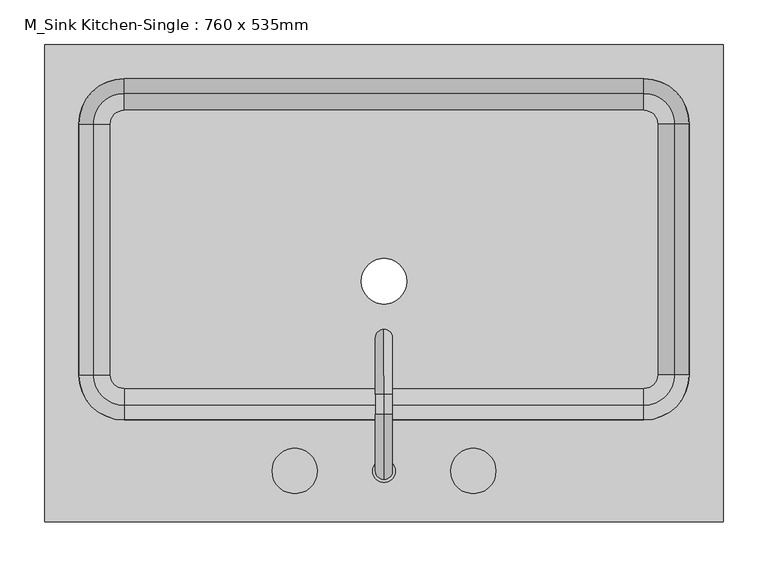
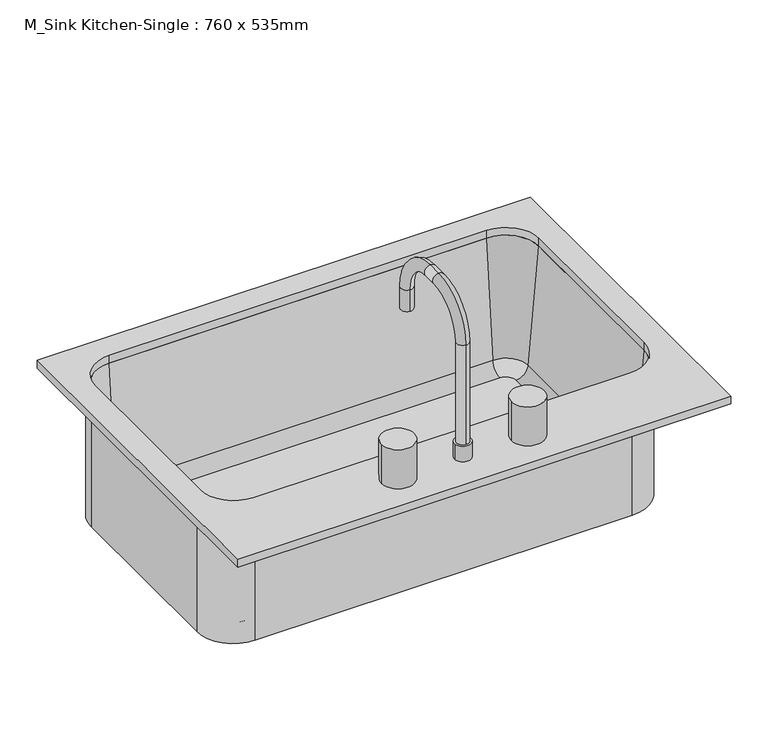
"""IFC4 building model written with IfcOpenShell, lengths in millimetres: flow terminal geometry, M_Sink Kitchen-Single : 760 x 535mm."""

from ifc_helpers import new_model, si_unit, point, frame, frame_2d, origin, place, context, project, spatial, polyline, circle_curve, ellipse_curve, trimmed, segment, composite_curve, outline, extrude, source, transform, mapped, element, save
from ifc_brep_helpers import plane_surface, cylinder_surface, revolved_surface, advanced_brep


def m_sink_kitchen_single_760_x_535mm_b3a6edb1(model_context):
    return source(origin(), model_context, "Body", "SolidModel", [
        advanced_brep(
        [(363.9392406, -104.7454011, 684.1), (363.9392406, -104.7454011, 900.0), (306.7892406, -161.8954011, 900.0), (306.7892406, -161.8954011, 684.1), (-275.4107594, -161.8954011, 684.1), (-332.5607594, -104.7454011, 684.1), (-332.5607594, 176.2545989, 684.1), (-275.4107594, 233.4045989, 684.1), (306.7892406, 233.4045989, 684.1), (363.9392406, 176.2545989, 684.1), (-9.7107594, 0.0, 684.1), (41.0892406, 0.0, 684.1), (322.0776588, -104.7454011, 693.625), (322.0776588, 176.2545989, 693.625), (306.7892406, 191.5430171, 693.625), (-275.4107594, 191.5430171, 693.625), (-290.6991776, 176.2545989, 693.625), (-290.6991776, -104.7454011, 693.625), (-275.4107594, -120.0338193, 693.625), (306.7892406, -120.0338193, 693.625), (-9.7107594, 0.0, 693.625), (41.0892406, 0.0, 693.625), (306.7892406, -139.0113283, 711.0146831), (341.0551678, -104.7454011, 711.0146831), (306.7892406, -155.5454011, 900.0), (357.5892406, -104.7454011, 900.0), (363.9392406, 176.2545989, 900.0), (341.0551678, 176.2545989, 711.0146831), (357.5892406, 176.2545989, 900.0), (306.7892406, 233.4045989, 900.0), (306.7892406, 210.5205261, 711.0146831), (306.7892406, 227.0545989, 900.0), (-275.4107594, 233.4045989, 900.0), (-275.4107594, 210.5205261, 711.0146831), (-275.4107594, 227.0545989, 900.0), (-332.5607594, 176.2545989, 900.0), (-309.6766866, 176.2545989, 711.0146831), (-326.2107594, 176.2545989, 900.0), (-332.5607594, -104.7454011, 900.0), (-309.6766866, -104.7454011, 711.0146831), (-326.2107594, -104.7454011, 900.0), (-275.4107594, -161.8954011, 900.0), (-275.4107594, -139.0113283, 711.0146831), (-275.4107594, -155.5454011, 900.0)],
        [
            (0, 1),
            (1, 2, circle_curve(frame((306.7892406, -104.7454011, 900.0), z_axis=(0.0, 0.0, -1.0), x_axis=(0.0, -1.0, 0.0)), 57.15)),
            (2, 3),
            (3, 0, circle_curve(frame((306.7892406, -104.7454011, 684.1), z_axis=(0.0, 0.0, 1.0), x_axis=(0.0, -1.0, 0.0)), 57.15)),
            (3, 4),
            (4, 5, circle_curve(frame((-275.4107594, -104.7454011, 684.1), z_axis=(0.0, 0.0, -1.0), x_axis=(-1.0, 0.0, 0.0)), 57.15)),
            (5, 6),
            (6, 7, circle_curve(frame((-275.4107594, 176.2545989, 684.1), z_axis=(0.0, 0.0, -1.0), x_axis=(0.0, 1.0, 0.0)), 57.15)),
            (7, 8),
            (8, 9, circle_curve(frame((306.7892406, 176.2545989, 684.1), z_axis=(0.0, 0.0, -1.0), x_axis=(1.0, 0.0, 0.0)), 57.15)),
            (9, 0),
            (10, 11, circle_curve(frame((15.6892406, 0.0, 684.1), z_axis=(0.0, 0.0, 1.0), x_axis=(1.0, 0.0, 0.0)), 25.4)),
            (11, 10, circle_curve(frame((15.6892406, 0.0, 684.1), z_axis=(0.0, 0.0, 1.0), x_axis=(1.0, 0.0, 0.0)), 25.4)),
            (12, 13),
            (13, 14, circle_curve(frame((306.7892406, 176.2545989, 693.625), z_axis=(0.0, 0.0, 1.0), x_axis=(1.0, 0.0, 0.0)), 15.2884182)),
            (14, 15),
            (15, 16, circle_curve(frame((-275.4107594, 176.2545989, 693.625), z_axis=(0.0, 0.0, 1.0), x_axis=(0.0, 1.0, 0.0)), 15.2884182)),
            (16, 17),
            (17, 18, circle_curve(frame((-275.4107594, -104.7454011, 693.625), z_axis=(0.0, 0.0, 1.0), x_axis=(-1.0, 0.0, 0.0)), 15.2884182)),
            (18, 19),
            (19, 12, circle_curve(frame((306.7892406, -104.7454011, 693.625), z_axis=(0.0, 0.0, 1.0), x_axis=(0.0, -1.0, 0.0)), 15.2884182)),
            (20, 21, circle_curve(frame((15.6892406, 0.0, 693.625), z_axis=(0.0, 0.0, -1.0), x_axis=(1.0, 0.0, 0.0)), 25.4)),
            (21, 20, circle_curve(frame((15.6892406, 0.0, 693.625), z_axis=(0.0, 0.0, -1.0), x_axis=(1.0, 0.0, 0.0)), 25.4)),
            (19, 22, circle_curve(frame((306.7892406, -120.0338193, 712.675), z_axis=(-1.0, 0.0, 0.0), x_axis=(0.0, -1.0, 0.0)), 19.05)),
            (22, 23, circle_curve(frame((306.7892406, -104.7454011, 711.0146831), z_axis=(0.0, 0.0, 1.0), x_axis=(0.0, -1.0, 0.0)), 34.2659272)),
            (23, 12, circle_curve(frame((322.0776588, -104.7454011, 712.675), z_axis=(0.0, 1.0, 0.0), x_axis=(1.0, 0.0, 0.0)), 19.05)),
            (22, 24),
            (24, 25, circle_curve(frame((306.7892406, -104.7454011, 900.0), z_axis=(0.0, 0.0, 1.0), x_axis=(0.0, -1.0, 0.0)), 50.8)),
            (25, 23),
            (1, 25),
            (24, 2),
            (9, 26),
            (26, 1),
            (23, 27),
            (27, 13, circle_curve(frame((322.0776588, 176.2545989, 712.675), z_axis=(0.0, 1.0, 0.0), x_axis=(1.0, 0.0, 0.0)), 19.05)),
            (25, 28),
            (28, 27),
            (26, 28),
            (8, 29),
            (29, 26, circle_curve(frame((306.7892406, 176.2545989, 900.0), z_axis=(0.0, 0.0, -1.0), x_axis=(1.0, 0.0, 0.0)), 57.15)),
            (27, 30, circle_curve(frame((306.7892406, 176.2545989, 711.0146831), z_axis=(0.0, 0.0, 1.0), x_axis=(1.0, 0.0, 0.0)), 34.2659272)),
            (30, 14, circle_curve(frame((306.7892406, 191.5430171, 712.675), z_axis=(-1.0, 0.0, 0.0), x_axis=(0.0, 1.0, 0.0)), 19.05)),
            (28, 31, circle_curve(frame((306.7892406, 176.2545989, 900.0), z_axis=(0.0, 0.0, 1.0), x_axis=(1.0, 0.0, 0.0)), 50.8)),
            (31, 30),
            (29, 31),
            (7, 32),
            (32, 29),
            (30, 33),
            (33, 15, circle_curve(frame((-275.4107594, 191.5430171, 712.675), z_axis=(-1.0, 0.0, 0.0), x_axis=(0.0, 1.0, 0.0)), 19.05)),
            (31, 34),
            (34, 33),
            (32, 34),
            (6, 35),
            (35, 32, circle_curve(frame((-275.4107594, 176.2545989, 900.0), z_axis=(0.0, 0.0, -1.0), x_axis=(0.0, 1.0, 0.0)), 57.15)),
            (33, 36, circle_curve(frame((-275.4107594, 176.2545989, 711.0146831), z_axis=(0.0, 0.0, 1.0), x_axis=(0.0, 1.0, 0.0)), 34.2659272)),
            (36, 16, circle_curve(frame((-290.6991776, 176.2545989, 712.675), z_axis=(0.0, -1.0, 0.0), x_axis=(-1.0, 0.0, 0.0)), 19.05)),
            (34, 37, circle_curve(frame((-275.4107594, 176.2545989, 900.0), z_axis=(0.0, 0.0, 1.0), x_axis=(0.0, 1.0, 0.0)), 50.8)),
            (37, 36),
            (35, 37),
            (5, 38),
            (38, 35),
            (36, 39),
            (39, 17, circle_curve(frame((-290.6991776, -104.7454011, 712.675), z_axis=(0.0, -1.0, 0.0), x_axis=(-1.0, 0.0, 0.0)), 19.05)),
            (37, 40),
            (40, 39),
            (38, 40),
            (4, 41),
            (41, 38, circle_curve(frame((-275.4107594, -104.7454011, 900.0), z_axis=(0.0, 0.0, -1.0), x_axis=(-1.0, 0.0, 0.0)), 57.15)),
            (39, 42, circle_curve(frame((-275.4107594, -104.7454011, 711.0146831), z_axis=(0.0, 0.0, 1.0), x_axis=(-1.0, 0.0, 0.0)), 34.2659272)),
            (42, 18, circle_curve(frame((-275.4107594, -120.0338193, 712.675), z_axis=(1.0, 0.0, 0.0), x_axis=(0.0, -1.0, 0.0)), 19.05)),
            (40, 43, circle_curve(frame((-275.4107594, -104.7454011, 900.0), z_axis=(0.0, 0.0, 1.0), x_axis=(-1.0, 0.0, 0.0)), 50.8)),
            (43, 42),
            (41, 43),
            (2, 41),
            (42, 22),
            (43, 24),
            (21, 11),
            (10, 20),
        ],
        [
            cylinder_surface(frame((306.7892406, -104.7454011, 0.0), z_axis=(0.0, 0.0, -1.0), x_axis=(0.0, -1.0, 0.0)), 57.15),
            plane_surface(frame((306.7892406, -104.7454011, 684.1), z_axis=(0.0, 0.0, -1.0), x_axis=(0.0, -1.0, 0.0))),
            plane_surface(frame((306.7892406, -104.7454011, 693.625), z_axis=(0.0, 0.0, 1.0), x_axis=(0.0, -1.0, 0.0))),
            revolved_surface(trimmed(ellipse_curve(frame((306.7892406, -120.0338193, 712.675), z_axis=(-1.0, 0.0, 0.0), x_axis=(0.0, -1.0, 0.0)), 19.05, 19.05), [point((306.7892406, -120.0338193, 693.625))], [point((306.7892406, -139.0113283, 711.0146831))], True, "CARTESIAN"), (306.7892406, -104.7454011, 0.0), (0.0, 0.0, -1.0)),
            revolved_surface(polyline([(306.7892406, -139.0113283, 711.0146831), (306.7892406, -155.5454011, 900.0)]), (306.7892406, -104.7454011, 0.0), (0.0, 0.0, -1.0)),
            plane_surface(frame((306.7892406, -104.7454011, 900.0), z_axis=(0.0, 0.0, 1.0), x_axis=(0.0, -1.0, 0.0))),
            plane_surface(frame((363.9392406, -104.7454011, 900.0), z_axis=(1.0, 0.0, 0.0), x_axis=(0.0, 1.0, 0.0))),
            revolved_surface(polyline([(341.1276588, 176.25459890000002, 712.675), (341.1276588, -104.7454011, 712.675)]), (322.0776588, -104.7454011, 712.675), (0.0, 1.0, 0.0)),
            plane_surface(frame((341.0551678, -104.7454011, 711.0146831), z_axis=(-0.9961946980917443, 0.0, 0.08715574274767235), x_axis=(0.0, 1.0, 0.0))),
            plane_surface(frame((357.5892406, -104.7454011, 900.0), z_axis=(0.0, 0.0, 1.0), x_axis=(0.0, 1.0, 0.0))),
            cylinder_surface(frame((306.7892406, 176.2545989, 0.0), z_axis=(0.0, 0.0, -1.0), x_axis=(1.0, 0.0, 0.0)), 57.15),
            revolved_surface(trimmed(ellipse_curve(frame((322.0776588, 176.2545989, 712.675), z_axis=(0.0, -1.0, 0.0), x_axis=(1.0, 0.0, 0.0)), 19.05, 19.05), [point((322.0776588, 176.2545989, 693.625))], [point((341.0551678, 176.2545989, 711.0146831))], True, "CARTESIAN"), (306.7892406, 176.2545989, 0.0), (0.0, 0.0, -1.0)),
            revolved_surface(polyline([(341.0551678, 176.2545989, 711.0146831), (357.5892406, 176.2545989, 900.0)]), (306.7892406, 176.2545989, 0.0), (0.0, 0.0, -1.0)),
            plane_surface(frame((306.7892406, 176.2545989, 900.0), z_axis=(0.0, 0.0, 1.0), x_axis=(1.0, 0.0, 0.0))),
            plane_surface(frame((306.7892406, 233.4045989, 900.0), z_axis=(0.0, 1.0, 0.0), x_axis=(-1.0, 0.0, 0.0))),
            revolved_surface(polyline([(-275.4107594, 210.5930171, 712.675), (306.7892406, 210.5930171, 712.675)]), (306.7892406, 191.5430171, 712.675), (-1.0, 0.0, 0.0)),
            plane_surface(frame((306.7892406, 210.5205261, 711.0146831), z_axis=(0.0, -0.9961946980917443, 0.08715574274767235), x_axis=(-1.0, 0.0, 0.0))),
            plane_surface(frame((306.7892406, 227.0545989, 900.0), z_axis=(0.0, 0.0, 1.0), x_axis=(-1.0, 0.0, 0.0))),
            cylinder_surface(frame((-275.4107594, 176.2545989, 0.0), z_axis=(0.0, 0.0, -1.0), x_axis=(0.0, 1.0, 0.0)), 57.15),
            revolved_surface(trimmed(ellipse_curve(frame((-275.4107594, 191.5430171, 712.675), z_axis=(1.0, 0.0, 0.0), x_axis=(0.0, 1.0, 0.0)), 19.05, 19.05), [point((-275.4107594, 191.5430171, 693.625))], [point((-275.4107594, 210.5205261, 711.0146831))], True, "CARTESIAN"), (-275.4107594, 176.2545989, 0.0), (0.0, 0.0, -1.0)),
            revolved_surface(polyline([(-275.4107594, 210.5205261, 711.0146831), (-275.4107594, 227.0545989, 900.0)]), (-275.4107594, 176.2545989, 0.0), (0.0, 0.0, -1.0)),
            plane_surface(frame((-275.4107594, 176.2545989, 900.0), z_axis=(0.0, 0.0, 1.0), x_axis=(0.0, 1.0, 0.0))),
            plane_surface(frame((-332.5607594, 176.2545989, 900.0), z_axis=(-1.0, 0.0, 0.0), x_axis=(0.0, -1.0, 0.0))),
            revolved_surface(polyline([(-309.7491776, -104.74540110000001, 712.675), (-309.7491776, 176.2545989, 712.675)]), (-290.6991776, 176.2545989, 712.675), (0.0, -1.0, 0.0)),
            plane_surface(frame((-309.6766866, 176.2545989, 711.0146831), z_axis=(0.9961946980917443, 0.0, 0.08715574274767235), x_axis=(0.0, -1.0, 0.0))),
            plane_surface(frame((-326.2107594, 176.2545989, 900.0), z_axis=(0.0, 0.0, 1.0), x_axis=(0.0, -1.0, 0.0))),
            cylinder_surface(frame((-275.4107594, -104.7454011, 0.0), z_axis=(0.0, 0.0, -1.0), x_axis=(-1.0, 0.0, 0.0)), 57.15),
            revolved_surface(trimmed(ellipse_curve(frame((-290.6991776, -104.7454011, 712.675), z_axis=(0.0, 1.0, 0.0), x_axis=(-1.0, 0.0, 0.0)), 19.05, 19.05), [point((-290.6991776, -104.7454011, 693.625))], [point((-309.6766866, -104.7454011, 711.0146831))], True, "CARTESIAN"), (-275.4107594, -104.7454011, 0.0), (0.0, 0.0, -1.0)),
            revolved_surface(polyline([(-309.6766866, -104.7454011, 711.0146831), (-326.2107594, -104.7454011, 900.0)]), (-275.4107594, -104.7454011, 0.0), (0.0, 0.0, -1.0)),
            plane_surface(frame((-275.4107594, -104.7454011, 900.0), z_axis=(0.0, 0.0, 1.0), x_axis=(-1.0, 0.0, 0.0))),
            plane_surface(frame((-275.4107594, -161.8954011, 900.0), z_axis=(0.0, -1.0, 0.0), x_axis=(1.0, 0.0, 0.0))),
            revolved_surface(polyline([(306.7892406, -139.08381930000002, 712.675), (-275.4107594, -139.08381930000002, 712.675)]), (-275.4107594, -120.0338193, 712.675), (1.0, 0.0, 0.0)),
            plane_surface(frame((-275.4107594, -139.0113283, 711.0146831), z_axis=(0.0, 0.9961946980917443, 0.08715574274767235), x_axis=(1.0, 0.0, 0.0))),
            plane_surface(frame((-275.4107594, -155.5454011, 900.0), z_axis=(0.0, 0.0, 1.0), x_axis=(1.0, 0.0, 0.0))),
            revolved_surface(polyline([(41.0892406, 0.0, 684.1), (41.0892406, 0.0, 693.625)]), (15.6892406, 0.0, 0.0), (0.0, 0.0, -1.0)),
        ],
        [
            (0, [[1, 2, 3, 4]]),
            (1, [[5, 6, 7, 8, 9, 10, 11, -4], [12, 13]]),
            (2, [[14, 15, 16, 17, 18, 19, 20, 21], [22, 23]]),
            (3, [[24, 25, 26, -21]]),
            (4, [[27, 28, 29, -25]]),
            (5, [[30, -28, 31, -2]]),
            (6, [[-11, 32, 33, -1]]),
            (7, [[34, 35, -14, -26]]),
            (8, [[36, 37, -34, -29]]),
            (9, [[-33, 38, -36, -30]]),
            (10, [[-10, 39, 40, -32]]),
            (11, [[41, 42, -15, -35]]),
            (12, [[43, 44, -41, -37]]),
            (13, [[-40, 45, -43, -38]]),
            (14, [[-9, 46, 47, -39]]),
            (15, [[48, 49, -16, -42]]),
            (16, [[50, 51, -48, -44]]),
            (17, [[-47, 52, -50, -45]]),
            (18, [[-8, 53, 54, -46]]),
            (19, [[55, 56, -17, -49]]),
            (20, [[57, 58, -55, -51]]),
            (21, [[-54, 59, -57, -52]]),
            (22, [[-7, 60, 61, -53]]),
            (23, [[62, 63, -18, -56]]),
            (24, [[64, 65, -62, -58]]),
            (25, [[-61, 66, -64, -59]]),
            (26, [[-6, 67, 68, -60]]),
            (27, [[69, 70, -19, -63]]),
            (28, [[71, 72, -69, -65]]),
            (29, [[-68, 73, -71, -66]]),
            (30, [[74, -67, -5, -3]]),
            (31, [[-20, -70, 75, -24]]),
            (32, [[-75, -72, 76, -27]]),
            (33, [[-76, -73, -74, -31]]),
            (34, [[77, -12, 78, -23]]),
            (34, [[-78, -13, -77, -22]]),
        ],
    ),
        advanced_brep(
        [(2.9892406, -212.6954011, 938.1), (28.3892406, -212.6954011, 938.1), (15.6892406, -222.2204011, 938.1), (15.6892406, -203.1704011, 938.1), (2.9892406, -212.6954011, 912.7), (28.3892406, -212.6954011, 912.7), (15.6892406, -222.2204011, 1100.025), (15.6892406, -203.1704011, 1100.025), (15.6892406, -149.1954011, 1154.0), (15.6892406, -149.1954011, 1173.05), (15.6892406, -126.9704011, 1154.0), (15.6892406, -126.9704011, 1173.05), (15.6892406, -72.9954011, 1100.025), (15.6892406, -53.9454011, 1100.025), (15.6892406, -53.9454011, 1065.1), (15.6892406, -72.9954011, 1065.1)],
        [
            (0, 1, circle_curve(frame((15.6892406, -212.6954011, 938.1), z_axis=(0.0, 0.0, 1.0), x_axis=(1.0, 0.0, 0.0)), 12.7)),
            (1, 0, circle_curve(frame((15.6892406, -212.6954011, 938.1), z_axis=(0.0, 0.0, 1.0), x_axis=(1.0, 0.0, 0.0)), 12.7)),
            (2, 3, circle_curve(frame((15.6892406, -212.6954011, 938.1), z_axis=(0.0, 0.0, -1.0), x_axis=(0.0, 1.0, 0.0)), 9.525)),
            (3, 2, circle_curve(frame((15.6892406, -212.6954011, 938.1), z_axis=(0.0, 0.0, -1.0), x_axis=(0.0, 1.0, 0.0)), 9.525)),
            (4, 5, circle_curve(frame((15.6892406, -212.6954011, 912.7), z_axis=(0.0, 0.0, -1.0), x_axis=(1.0, 0.0, 0.0)), 12.7)),
            (5, 4, circle_curve(frame((15.6892406, -212.6954011, 912.7), z_axis=(0.0, 0.0, -1.0), x_axis=(1.0, 0.0, 0.0)), 12.7)),
            (1, 5),
            (4, 0),
            (6, 2),
            (3, 7),
            (7, 6, circle_curve(frame((15.6892406, -212.6954011, 1100.025), z_axis=(0.0, 0.0, -1.0), x_axis=(0.0, 1.0, 0.0)), 9.525)),
            (6, 7, circle_curve(frame((15.6892406, -212.6954011, 1100.025), z_axis=(0.0, 0.0, -1.0), x_axis=(0.0, 1.0, 0.0)), 9.525)),
            (7, 8, circle_curve(frame((15.6892406, -149.1954011, 1100.025), z_axis=(-1.0, 0.0, 0.0), x_axis=(0.0, -1.0, 0.0)), 53.975)),
            (8, 9, circle_curve(frame((15.6892406, -149.1954011, 1163.525), z_axis=(0.0, -1.0, 0.0), x_axis=(0.0, 0.0, -1.0)), 9.525)),
            (9, 6, circle_curve(frame((15.6892406, -149.1954011, 1100.025), z_axis=(1.0, 0.0, 0.0), x_axis=(0.0, -1.0, 0.0)), 73.025)),
            (9, 8, circle_curve(frame((15.6892406, -149.1954011, 1163.525), z_axis=(0.0, -1.0, 0.0), x_axis=(0.0, 0.0, -1.0)), 9.525)),
            (8, 10),
            (10, 11, circle_curve(frame((15.6892406, -126.9704011, 1163.525), z_axis=(0.0, -1.0, 0.0), x_axis=(0.0, 0.0, -1.0)), 9.525)),
            (11, 9),
            (11, 10, circle_curve(frame((15.6892406, -126.9704011, 1163.525), z_axis=(0.0, -1.0, 0.0), x_axis=(0.0, 0.0, -1.0)), 9.525)),
            (10, 12, circle_curve(frame((15.6892406, -126.9704011, 1100.025), z_axis=(-1.0, 0.0, 0.0), x_axis=(0.0, 0.0, 1.0)), 53.975)),
            (12, 13, circle_curve(frame((15.6892406, -63.4704011, 1100.025), z_axis=(0.0, 0.0, 1.0), x_axis=(0.0, -1.0, 0.0)), 9.525)),
            (13, 11, circle_curve(frame((15.6892406, -126.9704011, 1100.025), z_axis=(1.0, 0.0, 0.0), x_axis=(0.0, 0.0, 1.0)), 73.025)),
            (13, 12, circle_curve(frame((15.6892406, -63.4704011, 1100.025), z_axis=(0.0, 0.0, 1.0), x_axis=(0.0, -1.0, 0.0)), 9.525)),
            (14, 15, circle_curve(frame((15.6892406, -63.4704011, 1065.1), z_axis=(0.0, 0.0, -1.0), x_axis=(0.0, -1.0, 0.0)), 9.525)),
            (15, 14, circle_curve(frame((15.6892406, -63.4704011, 1065.1), z_axis=(0.0, 0.0, -1.0), x_axis=(0.0, -1.0, 0.0)), 9.525)),
            (12, 15),
            (14, 13),
        ],
        [
            plane_surface(frame((28.3892406, -212.6954011, 938.1), z_axis=(0.0, 0.0, 1.0), x_axis=(0.0, -1.0, 0.0))),
            plane_surface(frame((28.3892406, -212.6954011, 912.7), z_axis=(0.0, 0.0, -1.0), x_axis=(0.0, 1.0, 0.0))),
            cylinder_surface(frame((15.6892406, -212.6954011, 912.7), z_axis=(0.0, 0.0, 1.0), x_axis=(1.0, 0.0, 0.0)), 12.7),
            cylinder_surface(frame((15.6892406, -212.6954011, 912.7), z_axis=(0.0, 0.0, -1.0), x_axis=(0.0, 1.0, 0.0)), 9.525),
            revolved_surface(trimmed(ellipse_curve(frame((15.6892406, -212.6954011, 1100.025), z_axis=(0.0, 0.0, 1.0), x_axis=(0.0, 1.0, 0.0)), 9.525, 9.525), [point((15.6892406, -222.2204011, 1100.025))], [point((15.6892406, -203.1704011, 1100.025))], True, "CARTESIAN"), (15.6892406, -149.1954011, 1100.025), (1.0, 0.0, 0.0)),
            revolved_surface(trimmed(ellipse_curve(frame((15.6892406, -212.6954011, 1100.025), z_axis=(0.0, 0.0, 1.0), x_axis=(0.0, 1.0, 0.0)), 9.525, 9.525), [point((15.6892406, -203.1704011, 1100.025))], [point((15.6892406, -222.2204011, 1100.025))], True, "CARTESIAN"), (15.6892406, -149.1954011, 1100.025), (1.0, 0.0, 0.0)),
            cylinder_surface(frame((15.6892406, -149.1954011, 1163.525), z_axis=(0.0, -1.0, 0.0), x_axis=(0.0, 0.0, -1.0)), 9.525),
            revolved_surface(trimmed(ellipse_curve(frame((15.6892406, -126.9704011, 1163.525), z_axis=(0.0, 1.0, 0.0), x_axis=(0.0, 0.0, -1.0)), 9.525, 9.525), [point((15.6892406, -126.9704011, 1173.05))], [point((15.6892406, -126.9704011, 1154.0))], True, "CARTESIAN"), (15.6892406, -126.9704011, 1100.025), (1.0, 0.0, 0.0)),
            revolved_surface(trimmed(ellipse_curve(frame((15.6892406, -126.9704011, 1163.525), z_axis=(0.0, 1.0, 0.0), x_axis=(0.0, 0.0, -1.0)), 9.525, 9.525), [point((15.6892406, -126.9704011, 1154.0))], [point((15.6892406, -126.9704011, 1173.05))], True, "CARTESIAN"), (15.6892406, -126.9704011, 1100.025), (1.0, 0.0, 0.0)),
            plane_surface(frame((15.6892406, -53.9454011, 1065.1), z_axis=(0.0, 0.0, -1.0), x_axis=(-1.0, 0.0, 0.0))),
            cylinder_surface(frame((15.6892406, -63.4704011, 1100.025), z_axis=(0.0, 0.0, 1.0), x_axis=(0.0, -1.0, 0.0)), 9.525),
        ],
        [
            (0, [[1, 2], [3, 4]]),
            (1, [[5, 6]]),
            (2, [[7, -5, 8, -2]]),
            (2, [[-8, -6, -7, -1]]),
            (3, [[9, -4, 10, 11]]),
            (3, [[-10, -3, -9, 12]]),
            (4, [[13, 14, 15, -11]]),
            (5, [[-15, 16, -13, -12]]),
            (6, [[17, 18, 19, -14]]),
            (6, [[-19, 20, -17, -16]]),
            (7, [[21, 22, 23, -18]]),
            (8, [[-23, 24, -21, -20]]),
            (9, [[25, 26]]),
            (10, [[27, -25, 28, -22]]),
            (10, [[-28, -26, -27, -24]]),
        ],
    ),
        extrude(outline(composite_curve([segment(trimmed(circle_curve(frame_2d((-84.3107594, -212.6954011)), 25.4), [point((-109.7107594, -212.6954011))], [point((-58.9107594, -212.6954011))], False, "CARTESIAN"), True, "CONTINUOUS"), segment(trimmed(circle_curve(frame_2d((-84.3107594, -212.6954011)), 25.4), [point((-58.9107594, -212.6954011))], [point((-109.7107594, -212.6954011))], False, "CARTESIAN"), True, "CONTINUOUS")], self_intersect=False)), frame((0.0, 0.0, 912.7), z_axis=(0.0, 0.0, 1.0), x_axis=(1.0, 0.0, 0.0)), (0.0, 0.0, 1.0), 63.5),
        extrude(outline(composite_curve([segment(trimmed(circle_curve(frame_2d((115.6892406, -212.6954011)), 25.4), [point((90.2892406, -212.6954011))], [point((141.0892406, -212.6954011))], False, "CARTESIAN"), True, "CONTINUOUS"), segment(trimmed(circle_curve(frame_2d((115.6892406, -212.6954011)), 25.4), [point((141.0892406, -212.6954011))], [point((90.2892406, -212.6954011))], False, "CARTESIAN"), True, "CONTINUOUS")], self_intersect=False)), frame((0.0, 0.0, 912.7), z_axis=(0.0, 0.0, 1.0), x_axis=(1.0, 0.0, 0.0)), (0.0, 0.0, 1.0), 63.5),
        extrude(outline(polyline([(395.6892406, -269.8454011), (-364.3107594, -269.8454011), (-364.3107594, 265.1545989), (395.6892406, 265.1545989), (395.6892406, -269.8454011)]), holes=[composite_curve([segment(trimmed(circle_curve(frame_2d((306.7892406, -104.7454011)), 50.8), [point((306.7892406, -155.5454011))], [point((357.5892406, -104.7454011))], True, "CARTESIAN"), True, "CONTINUOUS"), segment(polyline([(357.5892406, -104.7454011), (357.5892406, 176.2545989)]), True, "CONTINUOUS"), segment(trimmed(circle_curve(frame_2d((306.7892406, 176.2545989)), 50.8), [point((357.5892406, 176.2545989))], [point((306.7892406, 227.0545989))], True, "CARTESIAN"), True, "CONTINUOUS"), segment(polyline([(306.7892406, 227.0545989), (-275.4107594, 227.0545989)]), True, "CONTINUOUS"), segment(trimmed(circle_curve(frame_2d((-275.4107594, 176.2545989)), 50.8), [point((-275.4107594, 227.0545989))], [point((-326.2107594, 176.2545989))], True, "CARTESIAN"), True, "CONTINUOUS"), segment(polyline([(-326.2107594, 176.2545989), (-326.2107594, -104.7454011)]), True, "CONTINUOUS"), segment(trimmed(circle_curve(frame_2d((-275.4107594, -104.7454011)), 50.8), [point((-326.2107594, -104.7454011))], [point((-275.4107594, -155.5454011))], True, "CARTESIAN"), True, "CONTINUOUS"), segment(polyline([(-275.4107594, -155.5454011), (306.7892406, -155.5454011)]), True, "CONTINUOUS")], self_intersect=False)]), frame((0.0, 0.0, 900.0), z_axis=(0.0, 0.0, 1.0), x_axis=(1.0, 0.0, 0.0)), (0.0, 0.0, 1.0), 12.7),
    ])


if __name__ == "__main__":
    model = new_model("IFC4")
    model_context = context("Model", 3, world=origin())
    ifc_project = project(units=[si_unit("LENGTHUNIT", "METRE", prefix="MILLI")], contexts=[model_context])
    site = spatial("IfcSite", under=ifc_project)
    building = spatial("IfcBuilding", under=site)
    placement = place(None, origin())
    m_sink_kitchen_single_760_x_535mm_shape = m_sink_kitchen_single_760_x_535mm_b3a6edb1(model_context)
    element("IfcFlowTerminal", 1, ObjectType="M_Sink Kitchen-Single : 760 x 535mm", at=placement, inside=building, context=model_context, shape_type="MappedRepresentation", body=[
        mapped(m_sink_kitchen_single_760_x_535mm_shape, transform((0.0, 0.0, 0.0), x_axis=(1.0, 0.0, 0.0), y_axis=(0.0, 1.0, 0.0), z_axis=(0.0, 0.0, 1.0))),
    ])
    save(model, "model.ifc")
